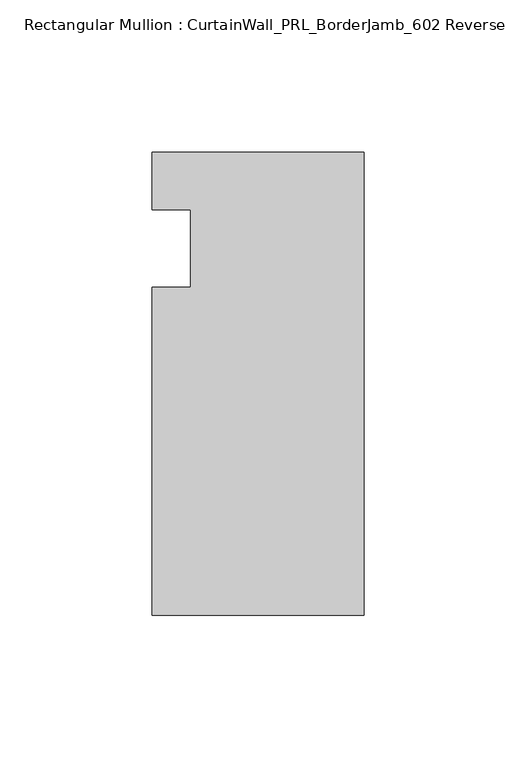
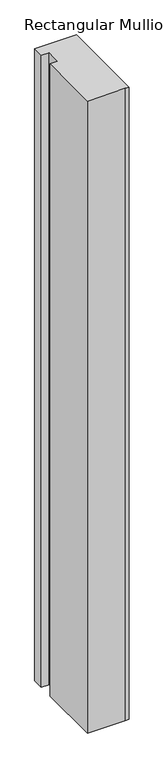
"""IFC4 building model written with IfcOpenShell, lengths in millimetres: member geometry, Rectangular Mullion : CurtainWall_PRL_BorderJamb_602 Reverse."""

from ifc_helpers import new_model, si_unit, frame, origin, place, context, project, spatial, polyline, outline, extrude, source, transform, mapped, element, save


def rectangular_mullion_curtainwall_prl_borderjamb_602_reverse_b8243e7d(model_context):
    return source(origin(), model_context, "Body", "SweptSolid", [
        extrude(outline(polyline([(-57.15, -12.7), (-57.15, 12.7), (-69.85, 12.7), (-69.85, 31.75), (-7.3958824, 31.75), (0.0, 31.75), (0.0, -120.65), (-6.35, -120.65), (-69.85, -120.65), (-69.85, -12.7), (-57.15, -12.7)])), frame((0.0, 0.0, -1117.6), z_axis=(0.0, 0.0, 1.0), x_axis=(1.0, 0.0, 0.0)), (0.0, 0.0, 1.0), 1117.6),
    ])


if __name__ == "__main__":
    model = new_model("IFC4")
    model_context = context("Model", 3, world=origin())
    ifc_project = project(units=[si_unit("LENGTHUNIT", "METRE", prefix="MILLI")], contexts=[model_context])
    site = spatial("IfcSite", under=ifc_project)
    building = spatial("IfcBuilding", under=site)
    placement = place(None, origin())
    rectangular_mullion_curtainwall_prl_borderjamb_602_reverse_shape = rectangular_mullion_curtainwall_prl_borderjamb_602_reverse_b8243e7d(model_context)
    element("IfcMember", 1, ObjectType="Rectangular Mullion : CurtainWall_PRL_BorderJamb_602 Reverse", at=placement, inside=building, context=model_context, shape_type="MappedRepresentation", body=[
        mapped(rectangular_mullion_curtainwall_prl_borderjamb_602_reverse_shape, transform((0.0, 0.0, 0.0), x_axis=(1.0, 0.0, 0.0), y_axis=(0.0, 1.0, 0.0), z_axis=(0.0, 0.0, 1.0))),
    ])
    save(model, "model.ifc")
